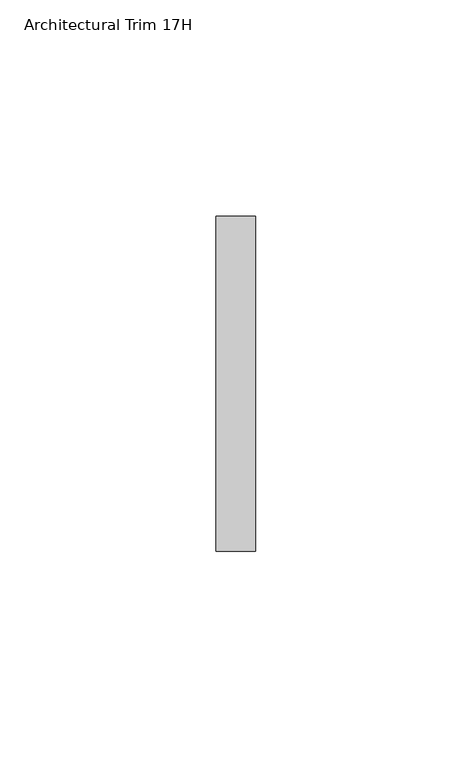
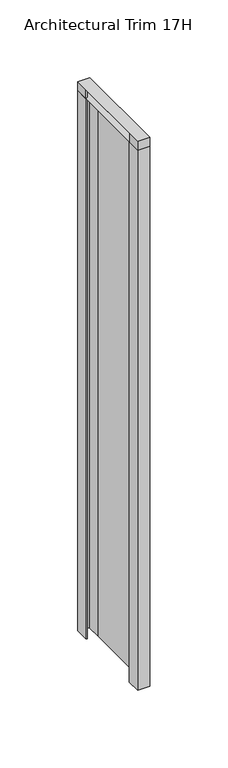
"""IFC4 building model written with IfcOpenShell, lengths in millimetres: furniture geometry, Architectural Trim 17H."""

from ifc_helpers import new_model, si_unit, origin, origin_with_axes, place, context, project, spatial, polyline, outline, extrude, faceted_brep, source, transform, mapped, element, save


def architectural_trim_17h_239d069d(model_context):
    return source(origin(), model_context, "Body", "SolidModel", [
        faceted_brep([(0.0, -0.381, 431.8), (0.0, -77.8509984, 431.8), (9.1185999, -77.8509984, 431.8), (9.1185999, -0.381, 431.8), (0.0, -0.381, 424.8778781), (9.1185999, -0.381, 424.8778781), (9.1185999, -77.8509984, 424.8778781), (0.0, -77.8509984, 424.8778781), (0.0, -11.1759996, 431.6060093), (0.0, -67.0559996, 431.6060093), (0.0, -67.0559996, 425.1390418), (0.0, -11.1759996, 425.1390418), (8.2295999, -76.9619984, 431.6060093), (0.889, -76.9619984, 431.6060093), (0.889, -67.0559996, 431.6060093), (1.016, -11.1759996, 431.6060093), (1.016, -1.27, 431.6060093), (8.2295999, -1.27, 431.6060093), (8.2295999, -12.5330588, 431.6060093), (8.2295999, -76.9619984, 425.1390418), (8.2295999, -12.5330588, 425.1390418), (8.2295999, -1.27, 425.1390418), (1.016, -1.27, 425.1390418), (1.016, -11.1759996, 425.1390418), (0.889, -67.0559996, 425.1390418), (0.889, -76.9619984, 425.1390418)], [[[0, 1, 2, 3]], [[4, 5, 6, 7]], [[1, 0, 4, 7], [8, 9, 10, 11]], [[2, 1, 7, 6]], [[3, 2, 6, 5]], [[0, 3, 5, 4]], [[12, 13, 14, 9, 8, 15, 16, 17, 18]], [[19, 20, 21, 22, 23, 11, 10, 24, 25]], [[12, 18, 20, 19]], [[18, 17, 21, 20]], [[17, 16, 22, 21]], [[16, 15, 23, 22]], [[15, 8, 11, 23]], [[9, 14, 24, 10]], [[14, 13, 25, 24]], [[13, 12, 19, 25]]]),
        extrude(outline(polyline([(9.1185999, -77.8509984), (0.0, -77.8509984), (0.0, -67.0559996), (0.889, -67.0559996), (0.889, -76.9619984), (8.2295999, -76.9619984), (8.2295999, -12.5330588), (8.2295999, -1.27), (1.016, -1.27), (1.016, -11.1759996), (0.0, -11.1759996), (0.0, -0.381), (9.1185999, -0.381), (9.1185999, -77.8509984)])), origin_with_axes(), (0.0, 0.0, 1.0), 424.8778781),
    ])


if __name__ == "__main__":
    model = new_model("IFC4")
    model_context = context("Model", 3, world=origin())
    ifc_project = project(units=[si_unit("LENGTHUNIT", "METRE", prefix="MILLI")], contexts=[model_context])
    site = spatial("IfcSite", under=ifc_project)
    building = spatial("IfcBuilding", under=site)
    placement = place(None, origin())
    architectural_trim_17h_shape = architectural_trim_17h_239d069d(model_context)
    element("IfcFurniture", 1, ObjectType="Architectural Trim 17H", at=placement, inside=building, context=model_context, shape_type="MappedRepresentation", body=[
        mapped(architectural_trim_17h_shape, transform((0.0, 0.0, 0.0), x_axis=(1.0, 0.0, 0.0), y_axis=(0.0, 1.0, 0.0), z_axis=(0.0, 0.0, 1.0))),
    ])
    save(model, "model.ifc")
